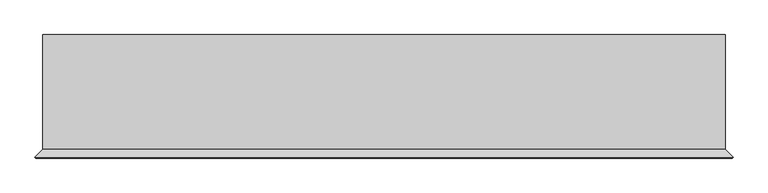
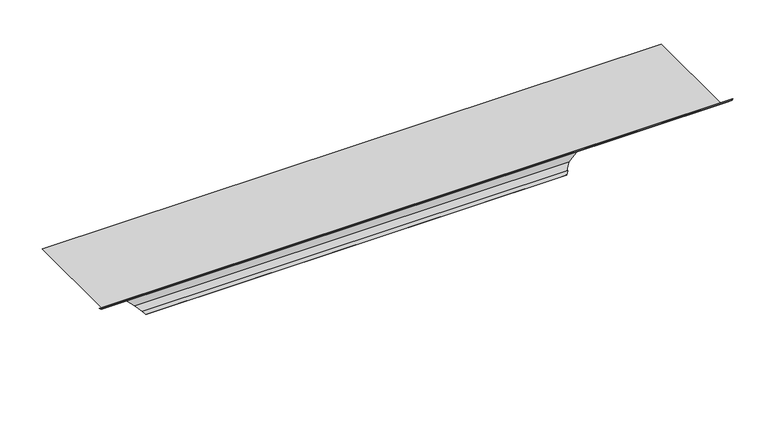
"""IFC4 building model written with IfcOpenShell, lengths in millimetres: proxy geometry."""

from ifc_helpers import new_model, si_unit, origin, place, context, project, spatial, faceted_brep, source, transform, mapped, element, save


def generic_models_26ea2c55(model_context):
    return source(origin(), model_context, "Body", "Brep", [
        faceted_brep([(1800.0, 3.0, 0.0), (1800.0, 4.0, 0.0), (1803.0, 4.0, 3.0), (1803.0, -300.0, 3.0), (1824.2132034, -321.2132034, 24.2132034), (1822.0918831, -323.3345238, 22.0918831), (1815.0208153, -316.263456, 15.0208153), (1815.7279221, -315.5563492, 15.7279221), (1822.0918831, -321.9203102, 22.0918831), (1822.7989899, -321.2132034, 22.7989899), (1802.0, -300.4142136, 2.0), (1802.0, 3.0, 2.0), (1533.4142136, 3.0, -266.5857864), (1513.2010101, -17.2132034, -286.7989899), (1513.9081169, -17.9203102, -286.0918831), (1520.2720779, -11.5563492, -279.7279221), (1520.9791847, -12.263456, -279.0208153), (1513.9081169, -19.3345238, -286.0918831), (1511.7867966, -17.2132034, -288.2132034), (1533.0, 4.0, -267.0), (0.0, 4.0, 0.0), (0.0, 3.0, 0.0), (-2.0, 3.0, 2.0), (-2.0, -300.4142136, 2.0), (-22.7989899, -321.2132034, 22.7989899), (-22.0918831, -321.9203102, 22.0918831), (-15.7279221, -315.5563492, 15.7279221), (-15.0208153, -316.263456, 15.0208153), (-22.0918831, -323.3345238, 22.0918831), (-24.2132034, -321.2132034, 24.2132034), (-3.0, -300.0, 3.0), (-3.0, 4.0, 3.0), (267.0, 4.0, -267.0), (288.2132034, -17.2132034, -288.2132034), (286.0918831, -19.3345238, -286.0918831), (279.0208153, -12.263456, -279.0208153), (279.7279221, -11.5563492, -279.7279221), (286.0918831, -17.9203102, -286.0918831), (286.7989899, -17.2132034, -286.7989899), (266.5857864, 3.0, -266.5857864)], [[[0, 1, 2, 3, 4, 5, 6, 7, 8, 9, 10, 11]], [[1, 0, 12, 13, 14, 15, 16, 17, 18, 19]], [[20, 21, 22, 23, 24, 25, 26, 27, 28, 29, 30, 31]], [[21, 20, 32, 33, 34, 35, 36, 37, 38, 39]], [[4, 3, 30, 29]], [[3, 2, 31, 30]], [[11, 10, 23, 22]], [[10, 9, 24, 23]], [[9, 8, 25, 24]], [[8, 7, 26, 25]], [[7, 6, 27, 26]], [[6, 5, 28, 27]], [[5, 4, 29, 28]], [[2, 1, 19, 32, 20, 31]], [[19, 18, 33, 32]], [[18, 17, 34, 33]], [[17, 16, 35, 34]], [[16, 15, 36, 35]], [[15, 14, 37, 36]], [[14, 13, 38, 37]], [[13, 12, 39, 38]], [[0, 11, 22, 21, 39, 12]]]),
    ])


if __name__ == "__main__":
    model = new_model("IFC4")
    model_context = context("Model", 3, world=origin())
    ifc_project = project(units=[si_unit("LENGTHUNIT", "METRE", prefix="MILLI")], contexts=[model_context])
    site = spatial("IfcSite", under=ifc_project)
    building = spatial("IfcBuilding", under=site)
    placement = place(None, origin())
    generic_models_shape = generic_models_26ea2c55(model_context)
    element("IfcBuildingElementProxy", 1, Name="Generic Models", at=placement, inside=building, context=model_context, shape_type="MappedRepresentation", body=[
        mapped(generic_models_shape, transform((0.0, 0.0, 0.0), x_axis=(1.0, 0.0, 0.0), y_axis=(0.0, 1.0, 0.0), z_axis=(0.0, 0.0, 1.0))),
    ])
    save(model, "model.ifc")
